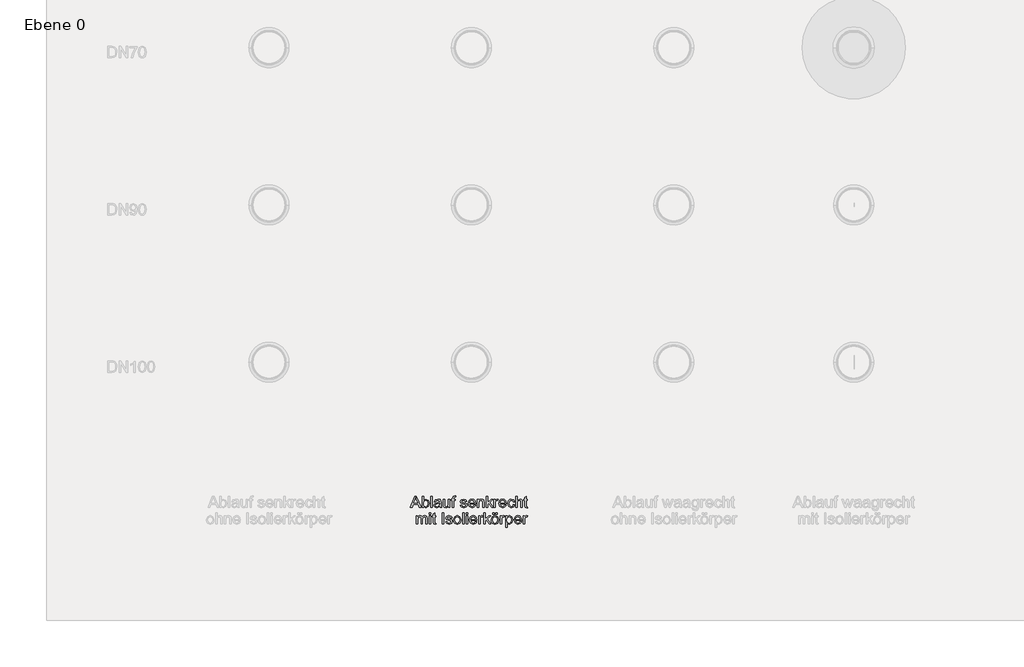
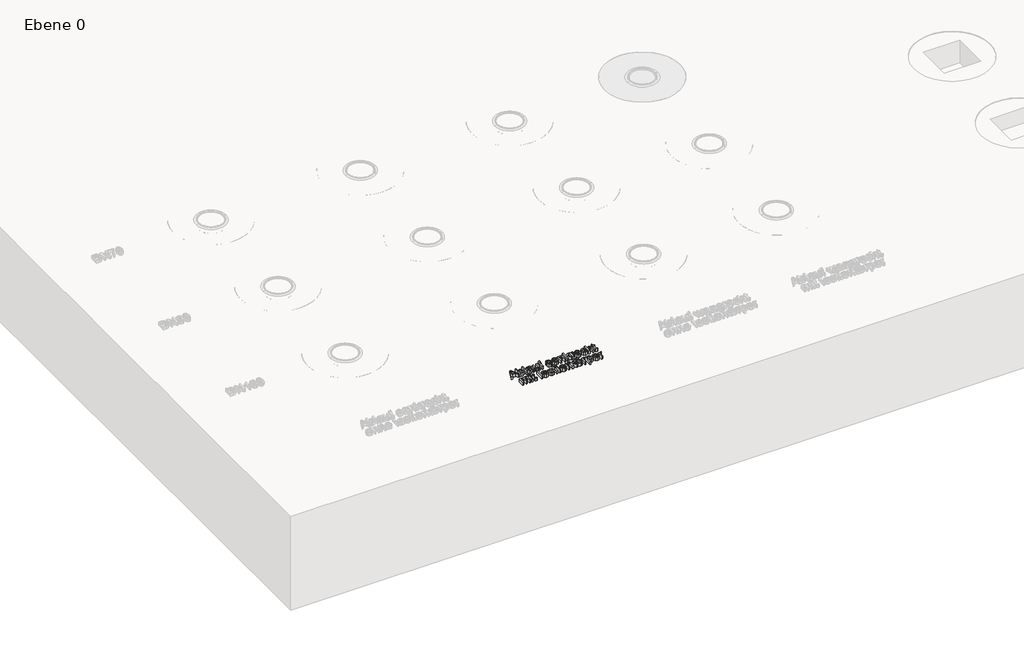
# One storey, part 3 of 12: 1 proxy.
"""IFC4 building model written with IfcOpenShell, lengths in millimetres."""

import ifcopenshell
import ifcopenshell.guid

model = None  # the IFC model being written
_history = None  # IfcOwnerHistory: only IFC2X3 demands one
_inside = {}  # id of a spatial element -> (the spatial element, [elements in it])
_under = {}  # id of a project, library or spatial element -> (it, [spatial elements below it])
_declared = {}  # id of a project -> (the project, [libraries it declares])
_typed = {}  # id of a type object -> (the type object, [elements of that type])
_made_of = {}  # id of a material, layer set ... -> (it, [elements and type objects made of it])


def new_model(schema):
    """Start an empty IFC model of exactly this schema.

    Asked for "IFC4X3", IfcOpenShell would pick the latest addendum, in which some entities
    have other attributes; the version numbers below select the first issue.
    IFC2X3 requires an IfcOwnerHistory on every rooted entity: one is made here for all.
    """
    global model, _history
    if schema == "IFC4X3":
        model = ifcopenshell.file(schema_version=(4, 3, 0, 0))
    else:
        model = ifcopenshell.file(schema=schema)
    _inside.clear()
    _under.clear()
    _declared.clear()
    _typed.clear()
    _made_of.clear()
    _history = None
    if model.schema == "IFC2X3":
        org = make("IfcOrganization", Name="unknown")
        user = make(
            "IfcPersonAndOrganization",
            ThePerson=make("IfcPerson", FamilyName="unknown"),
            TheOrganization=org,
        )
        app = make(
            "IfcApplication",
            ApplicationDeveloper=org,
            Version="unknown",
            ApplicationFullName="unknown",
            ApplicationIdentifier="unknown",
        )
        _history = make(
            "IfcOwnerHistory",
            OwningUser=user,
            OwningApplication=app,
            ChangeAction="ADDED",
            CreationDate=0,
        )
    return model


def make(cls, **values):
    """One entity of the class cls with the attributes given. An attribute that is None is left unset."""
    return model.create_entity(
        cls, **{name: value for name, value in values.items() if value is not None}
    )


def rooted(cls, **values):
    """An entity with a GlobalId (a new one), such as an element, a storey or a relation."""
    return make(cls, GlobalId=ifcopenshell.guid.new(), OwnerHistory=_history, **values)


def si_unit(unit_type, name, prefix=None):
    """IfcSIUnit, for example si_unit("LENGTHUNIT", "METRE", prefix="MILLI")."""
    return make("IfcSIUnit", UnitType=unit_type, Prefix=prefix, Name=name)


def assignment(units):
    """IfcUnitAssignment: the units of a project."""
    return None if units is None else make("IfcUnitAssignment", Units=units)


def point(xyz):
    """IfcCartesianPoint."""
    return None if xyz is None else make("IfcCartesianPoint", Coordinates=xyz)


def direction(xyz):
    """IfcDirection."""
    return None if xyz is None else make("IfcDirection", DirectionRatios=xyz)


def frame(location, z_axis=None, x_axis=None):
    """IfcAxis2Placement3D, a coordinate frame: its origin and axes. An axis left out is left unset."""
    return make(
        "IfcAxis2Placement3D",
        Location=point(location),
        Axis=direction(z_axis),
        RefDirection=direction(x_axis),
    )


def origin():
    """The frame at (0, 0, 0) with its axes left unset."""
    return frame((0.0, 0.0, 0.0))


def origin_with_axes():
    """The frame at (0, 0, 0) with the z axis (0, 0, 1) and the x axis (1, 0, 0) written out."""
    return frame((0.0, 0.0, 0.0), z_axis=(0.0, 0.0, 1.0), x_axis=(1.0, 0.0, 0.0))


def place(relative_to, where):
    """IfcLocalPlacement: puts the frame where relative to a parent placement (None: the world)."""
    return make(
        "IfcLocalPlacement", PlacementRelTo=relative_to, RelativePlacement=where
    )


def context(
    kind, dimensions, precision=None, world=None, true_north=None, identifier=None
):
    """IfcGeometricRepresentationContext, for example the 3D "Model" context."""
    return make(
        "IfcGeometricRepresentationContext",
        ContextIdentifier=identifier,
        ContextType=kind,
        CoordinateSpaceDimension=dimensions,
        Precision=precision,
        WorldCoordinateSystem=world,
        TrueNorth=true_north,
    )


def project(units=None, contexts=None):
    """IfcProject with its units and contexts."""
    return rooted(
        "IfcProject",
        Name="project",
        RepresentationContexts=contexts,
        UnitsInContext=assignment(units),
    )


def spatial(cls, under=None, at=None, **own):
    """A site, building, storey or space (cls), placed at a placement, below another one or the project."""
    s = rooted(cls, ObjectPlacement=at, **own)
    if under is not None:
        _under.setdefault(under.id(), (under, []))[1].append(s)
    return s


def polyline(points):
    """IfcPolyline through the points."""
    return make("IfcPolyline", Points=[point(p) for p in points])


def outline(outer, holes=None, kind="AREA"):
    """IfcArbitraryClosedProfileDef: a profile drawn as a closed curve; with holes, ...WithVoids."""
    if holes is None:
        return make("IfcArbitraryClosedProfileDef", ProfileType=kind, OuterCurve=outer)
    return make(
        "IfcArbitraryProfileDefWithVoids",
        ProfileType=kind,
        OuterCurve=outer,
        InnerCurves=holes,
    )


def extrude(swept, where, along, depth):
    """IfcExtrudedAreaSolid: the profile swept, set in the frame where, extruded along a direction by depth."""
    return make(
        "IfcExtrudedAreaSolid",
        SweptArea=swept,
        Position=where,
        ExtrudedDirection=direction(along),
        Depth=depth,
    )


def shape(context_of_items, identifier, shape_type, items):
    """IfcShapeRepresentation: the items that make up one representation, for example the "Body"."""
    return make(
        "IfcShapeRepresentation",
        ContextOfItems=context_of_items,
        RepresentationIdentifier=identifier,
        RepresentationType=shape_type,
        Items=items,
    )


def made_of(thing, what):
    """Note that an element or type object is made of a material, layer set ...; save() writes the relation."""
    if what is not None:
        _made_of.setdefault(what.id(), (what, []))[1].append(thing)
    return thing


def element(
    cls,
    number,
    at=None,
    inside=None,
    cuts=None,
    type_object=None,
    material=None,
    context=None,
    identifier="Body",
    shape_type=None,
    held_by="IfcProductDefinitionShape",
    body=None,
    shapes=None,
    **own,
):
    """One element of the class cls, such as IfcWall. Its Tag is "e" and its number.

    at: its placement. inside: the storey or other place that contains it. cuts: it is an
    opening in that element (IfcRelVoidsElement). A single representation is given by context,
    identifier, shape_type and body (its items); several are given by shapes. held_by: the class
    of the entity that holds the representations. save() writes the other relations.
    """
    e = rooted(cls, Tag="e%d" % number, ObjectPlacement=at, **own)
    if body is not None:
        shapes = [shape(context, identifier, shape_type, body)]
    if shapes is not None:
        e.Representation = make(held_by, Representations=shapes)
    if inside is not None:
        _inside.setdefault(inside.id(), (inside, []))[1].append(e)
    if cuts is not None:
        rooted(
            "IfcRelVoidsElement", RelatingBuildingElement=cuts, RelatedOpeningElement=e
        )
    if type_object is not None:
        _typed.setdefault(type_object.id(), (type_object, []))[1].append(e)
    return made_of(e, material)


def aggregate(whole, parts):
    """IfcRelAggregates: a whole, such as a stair, and the parts it consists of."""
    return rooted("IfcRelAggregates", RelatingObject=whole, RelatedObjects=parts)


def save(model, path):
    """Write the relations noted so far, then the file.

    IfcRelAggregates (storeys below a building ...), IfcRelContainedInSpatialStructure (elements
    in a storey), IfcRelDefinesByType, IfcRelAssociatesMaterial and IfcRelDeclares: one each for
    every whole, place, type object, material and project.
    """
    for whole, parts in _under.values():
        aggregate(whole, parts)
    for where, things in _inside.values():
        rooted(
            "IfcRelContainedInSpatialStructure",
            RelatedElements=things,
            RelatingStructure=where,
        )
    for kind, things in _typed.values():
        rooted("IfcRelDefinesByType", RelatedObjects=things, RelatingType=kind)
    for what, things in _made_of.values():
        rooted("IfcRelAssociatesMaterial", RelatedObjects=things, RelatingMaterial=what)
    for by, libraries in _declared.values():
        rooted("IfcRelDeclares", RelatingContext=by, RelatedDefinitions=libraries)
    model.write(path)


model = new_model("IFC4")

# Units and contexts
model_context = context("Model", 3, world=origin())
ifc_project = project(units=[si_unit("LENGTHUNIT", "METRE", prefix="MILLI")], contexts=[model_context])

# Site, building, storey
site = spatial("IfcSite", under=ifc_project)
building = spatial("IfcBuilding", under=site)
storey = spatial("IfcBuildingStorey", under=building, Name="Ebene 0", Elevation=0.0)

# Proxy
placement = place(None, origin())
element("IfcBuildingElementProxy", 1, Name="100mm ACO", ObjectType="100mm ACO", at=placement, inside=storey, context=model_context, shape_type="SweptSolid", body=[
    extrude(outline(polyline([(-27842.9383281, 17214.466207), (-27849.8797053, 17214.466207), (-27855.9042969, 17229.3676122), (-27877.237754, 17229.3676122), (-27883.0295111, 17214.466207), (-27889.9708883, 17214.466207), (-27870.4273461, 17264.7584496), (-27863.2967909, 17264.7584496), (-27842.9383281, 17214.466207)]), holes=[polyline([(-27858.1744328, 17234.9556392), (-27865.4286814, 17253.3932177), (-27866.9202771, 17259.2577356), (-27869.2631738, 17249.915253), (-27875.0694831, 17234.9556392), (-27858.1744328, 17234.9556392)])]), origin_with_axes(), (0.0, 0.0, 1.0), 20.0),
    extrude(outline(polyline([(-27831.9077957, 17247.1940003), (-27822.1287485, 17251.71972), (-27811.0181793, 17246.597362), (-27806.8489873, 17233.2093807), (-27811.4329156, 17218.6062946), (-27822.1578528, 17213.5348691), (-27831.8641392, 17218.5117056), (-27831.9951086, 17214.466207), (-27838.5144734, 17214.466207), (-27838.5144734, 17264.7584496), (-27831.9951086, 17264.7584496), (-27831.9077957, 17247.1940003)]), holes=[polyline([(-27822.7690432, 17218.1915583), (-27816.0241201, 17221.9969464), (-27813.368352, 17232.6855032), (-27815.8131138, 17243.184882), (-27822.5653131, 17247.0630309), (-27829.4048253, 17243.0611887), (-27831.9951086, 17232.9328898), (-27830.9182492, 17224.4053278), (-27827.673119, 17220.0324057), (-27822.7690432, 17218.1915583)])]), origin_with_axes(), (0.0, 0.0, 1.0), 20.0),
    extrude(outline(polyline([(-27792.8789199, 17214.466207), (-27799.3982846, 17214.466207), (-27799.3982846, 17264.7584496), (-27792.8789199, 17264.7584496), (-27792.8789199, 17214.466207)])), origin_with_axes(), (0.0, 0.0, 1.0), 20.0),
    extrude(outline(polyline([(-27751.9000555, 17214.466207), (-27758.4194203, 17214.466207), (-27760.2820959, 17218.8609573), (-27773.3353776, 17213.5348691), (-27782.1903631, 17216.4452998), (-27785.4282172, 17224.1288369), (-27782.2558478, 17231.6741285), (-27771.2398675, 17235.5959339), (-27765.5354233, 17236.4690631), (-27760.2820959, 17237.7496526), (-27760.4494457, 17241.7878752), (-27761.42444, 17244.2399131), (-27764.0219994, 17246.2844907), (-27768.8387622, 17247.0630309), (-27774.9142863, 17245.4841222), (-27777.9775146, 17239.6123283), (-27784.4968794, 17240.4126967), (-27779.3526931, 17248.8820501), (-27767.9510808, 17251.71972), (-27758.2666226, 17249.7770075), (-27754.4685106, 17245.0912141), (-27753.7627311, 17238.0261436), (-27753.7627311, 17229.7168639), (-27753.4862402, 17219.5303564), (-27751.9000555, 17214.466207)]), holes=[polyline([(-27760.2820959, 17230.7646189), (-27760.2820959, 17233.0929635), (-27771.9893034, 17230.4153672), (-27777.1789652, 17228.3744277), (-27778.9088524, 17224.230702), (-27777.0461768, 17219.8941602), (-27771.6764321, 17218.1915583), (-27763.7236802, 17221.0437804), (-27760.2820959, 17230.7646189)])]), origin_with_axes(), (0.0, 0.0, 1.0), 20.0),
    extrude(outline(polyline([(-27714.6465424, 17214.466207), (-27720.2345693, 17214.466207), (-27720.2345693, 17219.7486387), (-27725.3860317, 17215.0883115), (-27731.9053965, 17213.5348691), (-27739.0068474, 17215.3029558), (-27743.3579413, 17220.1706512), (-27744.4493528, 17228.2179921), (-27744.4493528, 17250.7883822), (-27737.9299881, 17250.7883822), (-27737.9299881, 17230.1825328), (-27737.4788713, 17223.095634), (-27735.1214224, 17219.5740129), (-27730.5811505, 17218.1915583), (-27724.1709269, 17220.6654244), (-27721.1659072, 17230.9101405), (-27721.1659072, 17250.7883822), (-27714.6465424, 17250.7883822), (-27714.6465424, 17214.466207)])), origin_with_axes(), (0.0, 0.0, 1.0), 20.0),
    extrude(outline(polyline([(-27688.5690832, 17265.2095664), (-27689.3694517, 17261.0330983), (-27692.5418211, 17261.0330983), (-27695.7141906, 17259.963515), (-27696.9511237, 17254.6738072), (-27696.9511237, 17250.7883822), (-27691.3630967, 17250.7883822), (-27691.3630967, 17246.1316931), (-27696.9511237, 17246.1316931), (-27696.9511237, 17214.466207), (-27703.4704885, 17214.466207), (-27703.4704885, 17246.1316931), (-27709.0585154, 17246.1316931), (-27709.0585154, 17250.7883822), (-27703.4704885, 17250.7883822), (-27703.4704885, 17254.7756723), (-27702.9829913, 17259.7961653), (-27700.4145362, 17263.8707683), (-27693.9970365, 17265.6897874), (-27688.5690832, 17265.2095664)])), origin_with_axes(), (0.0, 0.0, 1.0), 20.0),
    extrude(outline(polyline([(-27645.7275432, 17240.5436661), (-27648.1359246, 17245.4331897), (-27653.7021233, 17247.0630309), (-27659.3920154, 17245.6660242), (-27661.5602862, 17241.6059733), (-27660.1268991, 17238.0115914), (-27653.3674238, 17236.0616028), (-27644.4542297, 17233.9660927), (-27639.9066818, 17230.7864472), (-27638.2768406, 17225.0892791), (-27642.3223393, 17216.8745884), (-27653.1345893, 17213.5348691), (-27664.1432935, 17216.3434348), (-27669.0109889, 17224.7545795), (-27662.4916241, 17225.6422609), (-27659.6757824, 17220.0469578), (-27653.1345893, 17218.1915583), (-27646.9499241, 17220.1197186), (-27644.7962054, 17224.8127881), (-27645.7639236, 17227.8178078), (-27648.1795811, 17229.5131337), (-27655.0118171, 17230.9683491), (-27665.5403002, 17234.8974305), (-27668.079651, 17241.2276173), (-27664.3179193, 17248.7583568), (-27654.1968965, 17251.71972), (-27643.6975178, 17249.1294367), (-27639.2081784, 17241.3731389), (-27645.7275432, 17240.5436661)])), origin_with_axes(), (0.0, 0.0, 1.0), 20.0),
    extrude(outline(polyline([(-27600.0919897, 17231.2302878), (-27627.1007866, 17231.2302878), (-27623.6883066, 17221.5385536), (-27616.1139107, 17218.1915583), (-27610.2421168, 17220.0469578), (-27606.6113544, 17225.6422609), (-27600.0919897, 17224.8855489), (-27605.7818817, 17216.4744042), (-27616.1139107, 17213.5348691), (-27628.9852905, 17218.5771903), (-27633.6201514, 17232.3508037), (-27629.1526403, 17246.3499754), (-27623.7719815, 17250.3772839), (-27616.5650275, 17251.71972), (-27608.9105947, 17249.9807377), (-27602.6604448, 17244.0580112), (-27600.0919897, 17231.2302878)]), holes=[polyline([(-27606.6113544, 17235.886977), (-27610.0456627, 17244.4436433), (-27616.7251012, 17247.0630309), (-27623.8556564, 17243.94887), (-27627.1007866, 17235.886977), (-27606.6113544, 17235.886977)])]), origin_with_axes(), (0.0, 0.0, 1.0), 20.0),
    extrude(outline(polyline([(-27562.8384766, 17214.466207), (-27569.3578414, 17214.466207), (-27569.3578414, 17237.0802536), (-27571.3005539, 17244.9238643), (-27576.7066789, 17247.0630309), (-27581.7490001, 17245.6951285), (-27585.1250997, 17241.8388078), (-27586.1219223, 17234.7955655), (-27586.1219223, 17214.466207), (-27592.641287, 17214.466207), (-27592.641287, 17250.7883822), (-27587.0532601, 17250.7883822), (-27587.0532601, 17245.7387849), (-27582.0764236, 17250.2281243), (-27575.4115372, 17251.71972), (-27569.6925409, 17250.6865171), (-27565.2686862, 17247.5941845), (-27563.253213, 17243.1994341), (-27562.8384766, 17236.8910756), (-27562.8384766, 17214.466207)])), origin_with_axes(), (0.0, 0.0, 1.0), 20.0),
    extrude(outline(polyline([(-27522.79095, 17214.466207), (-27529.2666583, 17214.466207), (-27542.3781487, 17233.5586324), (-27547.0057335, 17229.3676122), (-27547.0057335, 17214.466207), (-27553.5250983, 17214.466207), (-27553.5250983, 17264.7584496), (-27547.0057335, 17264.7584496), (-27547.0057335, 17236.6000325), (-27531.4349292, 17250.7883822), (-27523.4894534, 17250.7883822), (-27538.4199629, 17237.1966708), (-27522.79095, 17214.466207)])), origin_with_axes(), (0.0, 0.0, 1.0), 20.0),
    extrude(outline(polyline([(-27499.5075043, 17250.293609), (-27501.5448058, 17246.1316931), (-27505.823139, 17247.0630309), (-27510.843632, 17243.7887964), (-27512.5462339, 17234.6209396), (-27512.5462339, 17214.466207), (-27519.0655987, 17214.466207), (-27519.0655987, 17250.7883822), (-27513.4775717, 17250.7883822), (-27513.4775717, 17245.4040854), (-27505.7503782, 17251.71972), (-27499.5075043, 17250.293609)])), origin_with_axes(), (0.0, 0.0, 1.0), 20.0),
    extrude(outline(polyline([(-27464.1166669, 17231.2302878), (-27491.1254639, 17231.2302878), (-27487.7129839, 17221.5385536), (-27480.138588, 17218.1915583), (-27474.266794, 17220.0469578), (-27470.6360317, 17225.6422609), (-27464.1166669, 17224.8855489), (-27469.8065589, 17216.4744042), (-27480.138588, 17213.5348691), (-27493.0099678, 17218.5771903), (-27497.6448287, 17232.3508037), (-27493.1773175, 17246.3499754), (-27487.7966588, 17250.3772839), (-27480.5897047, 17251.71972), (-27472.935272, 17249.9807377), (-27466.685122, 17244.0580112), (-27464.1166669, 17231.2302878)]), holes=[polyline([(-27470.6360317, 17235.886977), (-27474.0703399, 17244.4436433), (-27480.7497784, 17247.0630309), (-27487.8803337, 17243.94887), (-27491.1254639, 17235.886977), (-27470.6360317, 17235.886977)])]), origin_with_axes(), (0.0, 0.0, 1.0), 20.0),
    extrude(outline(polyline([(-27425.931816, 17226.7627767), (-27431.5634994, 17216.7217908), (-27441.5317246, 17213.5348691), (-27454.0902331, 17218.7445401), (-27458.52864, 17232.5545338), (-27455.9965652, 17243.9634222), (-27449.6591024, 17249.9807377), (-27441.662694, 17251.71972), (-27431.8763707, 17248.874774), (-27426.8631538, 17240.5145618), (-27433.3825186, 17239.6123283), (-27436.3511579, 17245.1930792), (-27441.5899332, 17247.0630309), (-27449.3607832, 17243.2721949), (-27452.0092752, 17232.6855032), (-27449.3535071, 17221.9678421), (-27441.6917983, 17218.1915583), (-27435.3543354, 17220.5199028), (-27432.4511808, 17227.5049365), (-27425.931816, 17226.7627767)])), origin_with_axes(), (0.0, 0.0, 1.0), 20.0),
    extrude(outline(polyline([(-27392.4036542, 17214.466207), (-27398.923019, 17214.466207), (-27398.923019, 17237.9533828), (-27400.7784186, 17244.7856189), (-27406.315513, 17247.0630309), (-27412.8203257, 17244.3781586), (-27415.6870999, 17234.7955655), (-27415.6870999, 17214.466207), (-27422.2064647, 17214.466207), (-27422.2064647, 17264.7584496), (-27415.6870999, 17264.7584496), (-27415.6870999, 17246.7428835), (-27404.8457455, 17251.71972), (-27398.166307, 17250.2790568), (-27393.6915198, 17245.8479261), (-27392.4036542, 17237.5459225), (-27392.4036542, 17214.466207)])), origin_with_axes(), (0.0, 0.0, 1.0), 20.0),
    extrude(outline(polyline([(-27369.1202086, 17213.9568816), (-27373.6895848, 17213.5348691), (-27379.5177223, 17214.9828084), (-27381.7514778, 17218.6572272), (-27382.1589381, 17224.8564446), (-27382.1589381, 17246.1316931), (-27386.8156273, 17246.1316931), (-27386.8156273, 17250.7883822), (-27382.1589381, 17250.7883822), (-27382.1589381, 17260.0144476), (-27375.6395733, 17263.8271118), (-27375.6395733, 17250.7883822), (-27370.0515464, 17250.7883822), (-27370.0515464, 17246.1316931), (-27375.6395733, 17246.1316931), (-27375.6395733, 17223.5467508), (-27375.1156958, 17219.4139392), (-27372.4526517, 17218.1915583), (-27369.920577, 17218.1915583), (-27369.1202086, 17213.9568816)])), origin_with_axes(), (0.0, 0.0, 1.0), 20.0),
    extrude(outline(polyline([(-27815.2310277, 17141.1827613), (-27821.7503925, 17141.1827613), (-27821.7503925, 17164.6699371), (-27822.0778159, 17169.1010679), (-27823.7804179, 17172.3607503), (-27828.0660271, 17173.7795852), (-27834.1051709, 17171.1893019), (-27836.6517977, 17162.7781572), (-27836.6517977, 17141.1827613), (-27843.1711625, 17141.1827613), (-27843.1711625, 17165.3684405), (-27844.7718994, 17171.9896703), (-27849.3121713, 17173.7795852), (-27855.6132538, 17170.9782957), (-27858.0725677, 17160.493469), (-27858.0725677, 17141.1827613), (-27864.5919325, 17141.1827613), (-27864.5919325, 17177.5049365), (-27859.0039056, 17177.5049365), (-27859.0039056, 17172.5281), (-27854.2853698, 17176.9592308), (-27847.9733732, 17178.4362744), (-27841.3448672, 17176.8428136), (-27837.5831356, 17172.047879), (-27832.795477, 17176.8391755), (-27826.4652902, 17178.4362744), (-27818.0395933, 17175.3803221), (-27815.2310277, 17166.2124654), (-27815.2310277, 17141.1827613)])), origin_with_axes(), (0.0, 0.0, 1.0), 20.0),
    extrude(outline(polyline([(-27799.3982846, 17141.1827613), (-27805.9176494, 17141.1827613), (-27805.9176494, 17177.5049365), (-27799.3982846, 17177.5049365), (-27799.3982846, 17141.1827613)])), origin_with_axes(), (0.0, 0.0, 1.0), 20.0),
    extrude(outline(polyline([(-27799.3982846, 17184.9556392), (-27805.9176494, 17184.9556392), (-27805.9176494, 17191.4750039), (-27799.3982846, 17191.4750039), (-27799.3982846, 17184.9556392)])), origin_with_axes(), (0.0, 0.0, 1.0), 20.0),
    extrude(outline(polyline([(-27776.114839, 17140.6734359), (-27780.6842152, 17140.2514235), (-27786.5123527, 17141.6993627), (-27788.7461082, 17145.3737815), (-27789.1535685, 17151.5729989), (-27789.1535685, 17172.8482474), (-27793.8102577, 17172.8482474), (-27793.8102577, 17177.5049365), (-27789.1535685, 17177.5049365), (-27789.1535685, 17186.7310019), (-27782.6342038, 17190.5436661), (-27782.6342038, 17177.5049365), (-27777.0461768, 17177.5049365), (-27777.0461768, 17172.8482474), (-27782.6342038, 17172.8482474), (-27782.6342038, 17150.2633051), (-27782.1103262, 17146.1304935), (-27779.4472821, 17144.9081126), (-27776.9152074, 17144.9081126), (-27776.114839, 17140.6734359)])), origin_with_axes(), (0.0, 0.0, 1.0), 20.0),
    extrude(outline(polyline([(-27742.5866772, 17141.1827613), (-27749.106042, 17141.1827613), (-27749.106042, 17191.4750039), (-27742.5866772, 17191.4750039), (-27742.5866772, 17141.1827613)])), origin_with_axes(), (0.0, 0.0, 1.0), 20.0),
    extrude(outline(polyline([(-27710.9211911, 17167.2602204), (-27713.3295725, 17172.149744), (-27718.8957712, 17173.7795852), (-27724.5856633, 17172.3825785), (-27726.7539341, 17168.3225277), (-27725.320547, 17164.7281457), (-27718.5610717, 17162.7781572), (-27709.6478776, 17160.682647), (-27705.1003297, 17157.5030015), (-27703.4704885, 17151.8058334), (-27707.5159871, 17143.5911427), (-27718.3282372, 17140.2514235), (-27729.3369414, 17143.0599891), (-27734.2046368, 17151.4711338), (-27727.685272, 17152.3588152), (-27724.8694303, 17146.7635122), (-27718.3282372, 17144.9081126), (-27712.143572, 17146.8362729), (-27709.9898532, 17151.5293425), (-27710.9575715, 17154.5343622), (-27713.3732289, 17156.2296881), (-27720.205465, 17157.6849034), (-27730.7339481, 17161.6139849), (-27733.2732989, 17167.9441717), (-27729.5115672, 17175.4749111), (-27719.3905444, 17178.4362744), (-27708.8911657, 17175.845991), (-27704.4018263, 17168.0896932), (-27710.9211911, 17167.2602204)])), origin_with_axes(), (0.0, 0.0, 1.0), 20.0),
    extrude(outline(polyline([(-27682.0642706, 17178.4362744), (-27670.0514678, 17173.6195115), (-27665.2856376, 17159.9259351), (-27666.5753222, 17150.7362501), (-27670.444376, 17144.7043824), (-27682.0642706, 17140.2514235), (-27693.8296867, 17144.8280757), (-27697.5677712, 17150.7453452), (-27698.8137993, 17159.3438489), (-27693.9970365, 17173.7068245), (-27682.0642706, 17178.4362744)]), holes=[polyline([(-27682.0642706, 17144.9081126), (-27674.4171139, 17148.9463352), (-27671.8050023, 17159.5766834), (-27674.7590895, 17170.1997555), (-27682.0642706, 17173.7795852), (-27689.4203842, 17170.1488229), (-27692.2944345, 17159.3292968), (-27689.3694517, 17148.5388749), (-27682.0642706, 17144.9081126)])]), origin_with_axes(), (0.0, 0.0, 1.0), 20.0),
    extrude(outline(polyline([(-27651.3155701, 17141.1827613), (-27657.8349349, 17141.1827613), (-27657.8349349, 17191.4750039), (-27651.3155701, 17191.4750039), (-27651.3155701, 17141.1827613)])), origin_with_axes(), (0.0, 0.0, 1.0), 20.0),
    extrude(outline(polyline([(-27635.4828271, 17141.1827613), (-27642.0021919, 17141.1827613), (-27642.0021919, 17177.5049365), (-27635.4828271, 17177.5049365), (-27635.4828271, 17141.1827613)])), origin_with_axes(), (0.0, 0.0, 1.0), 20.0),
    extrude(outline(polyline([(-27635.4828271, 17184.9556392), (-27642.0021919, 17184.9556392), (-27642.0021919, 17191.4750039), (-27635.4828271, 17191.4750039), (-27635.4828271, 17184.9556392)])), origin_with_axes(), (0.0, 0.0, 1.0), 20.0),
    extrude(outline(polyline([(-27594.5039627, 17157.9468422), (-27621.5127597, 17157.9468422), (-27618.1002797, 17148.2551079), (-27610.5258838, 17144.9081126), (-27604.6540898, 17146.7635122), (-27601.0233275, 17152.3588152), (-27594.5039627, 17151.6021032), (-27600.1938547, 17143.1909585), (-27610.5258838, 17140.2514235), (-27623.3972636, 17145.2937447), (-27628.0321245, 17159.067358), (-27623.5646133, 17173.0665297), (-27618.1839546, 17177.0938382), (-27610.9770005, 17178.4362744), (-27603.3225677, 17176.697292), (-27597.0724178, 17170.7745655), (-27594.5039627, 17157.9468422)]), holes=[polyline([(-27601.0233275, 17162.6035313), (-27604.4576357, 17171.1601976), (-27611.1370742, 17173.7795852), (-27618.2676294, 17170.6654244), (-27621.5127597, 17162.6035313), (-27601.0233275, 17162.6035313)])]), origin_with_axes(), (0.0, 0.0, 1.0), 20.0),
    extrude(outline(polyline([(-27567.4951657, 17177.0101633), (-27569.5324672, 17172.8482474), (-27573.8108004, 17173.7795852), (-27578.8312933, 17170.5053507), (-27580.5338953, 17161.3374939), (-27580.5338953, 17141.1827613), (-27587.0532601, 17141.1827613), (-27587.0532601, 17177.5049365), (-27581.4652331, 17177.5049365), (-27581.4652331, 17172.1206397), (-27573.7380396, 17178.4362744), (-27567.4951657, 17177.0101633)])), origin_with_axes(), (0.0, 0.0, 1.0), 20.0),
    extrude(outline(polyline([(-27533.0356661, 17141.1827613), (-27539.5113744, 17141.1827613), (-27552.6228648, 17160.2751867), (-27557.2504496, 17156.0841665), (-27557.2504496, 17141.1827613), (-27563.7698144, 17141.1827613), (-27563.7698144, 17191.4750039), (-27557.2504496, 17191.4750039), (-27557.2504496, 17163.3165868), (-27541.6796453, 17177.5049365), (-27533.7341695, 17177.5049365), (-27548.664679, 17163.9132251), (-27533.0356661, 17141.1827613)])), origin_with_axes(), (0.0, 0.0, 1.0), 20.0),
    extrude(outline(polyline([(-27514.4234617, 17178.4362744), (-27502.410659, 17173.6195115), (-27497.6448287, 17159.9259351), (-27498.9345133, 17150.7362501), (-27502.8035671, 17144.7043824), (-27514.4234617, 17140.2514235), (-27526.1888779, 17144.8280757), (-27529.9269623, 17150.7453452), (-27531.1729905, 17159.3438489), (-27526.3562276, 17173.7068245), (-27514.4234617, 17178.4362744)]), holes=[polyline([(-27514.4234617, 17144.9081126), (-27506.776305, 17148.9463352), (-27504.1641935, 17159.5766834), (-27507.1182806, 17170.1997555), (-27514.4234617, 17173.7795852), (-27521.7795753, 17170.1488229), (-27524.6536257, 17159.3292968), (-27521.7286428, 17148.5388749), (-27514.4234617, 17144.9081126)])]), origin_with_axes(), (0.0, 0.0, 1.0), 20.0),
    extrude(outline(polyline([(-27504.1641935, 17184.0243013), (-27510.6835583, 17184.0243013), (-27510.6835583, 17191.4750039), (-27504.1641935, 17191.4750039), (-27504.1641935, 17184.0243013)])), origin_with_axes(), (0.0, 0.0, 1.0), 20.0),
    extrude(outline(polyline([(-27517.2029231, 17184.0243013), (-27523.7222878, 17184.0243013), (-27523.7222878, 17191.4750039), (-27517.2029231, 17191.4750039), (-27517.2029231, 17184.0243013)])), origin_with_axes(), (0.0, 0.0, 1.0), 20.0),
    extrude(outline(polyline([(-27470.6360317, 17177.0101633), (-27472.6733332, 17172.8482474), (-27476.9516663, 17173.7795852), (-27481.9721593, 17170.5053507), (-27483.6747613, 17161.3374939), (-27483.6747613, 17141.1827613), (-27490.1941261, 17141.1827613), (-27490.1941261, 17177.5049365), (-27484.6060991, 17177.5049365), (-27484.6060991, 17172.1206397), (-27476.8789056, 17178.4362744), (-27470.6360317, 17177.0101633)])), origin_with_axes(), (0.0, 0.0, 1.0), 20.0),
    extrude(outline(polyline([(-27460.3258309, 17173.1247383), (-27450.2048081, 17178.4362744), (-27439.2615887, 17173.2266034), (-27435.2451943, 17159.6494441), (-27439.7854662, 17145.4974748), (-27450.9324158, 17140.2514235), (-27460.2166898, 17144.5297566), (-27460.3913156, 17127.2126939), (-27466.9106804, 17127.2126939), (-27466.9106804, 17177.5049365), (-27460.3913156, 17177.5049365), (-27460.3258309, 17173.1247383)]), holes=[polyline([(-27451.6454713, 17144.9081126), (-27444.5658486, 17148.5825314), (-27441.7645591, 17159.5330269), (-27444.4639835, 17170.0906143), (-27451.3689804, 17173.7795852), (-27458.5213639, 17169.6686019), (-27461.3226534, 17159.0091494), (-27458.6377811, 17148.4952184), (-27451.6454713, 17144.9081126)])]), origin_with_axes(), (0.0, 0.0, 1.0), 20.0),
    extrude(outline(polyline([(-27396.1290055, 17157.9468422), (-27423.1378025, 17157.9468422), (-27419.7253225, 17148.2551079), (-27412.1509266, 17144.9081126), (-27406.2791326, 17146.7635122), (-27402.6483703, 17152.3588152), (-27396.1290055, 17151.6021032), (-27401.8188976, 17143.1909585), (-27412.1509266, 17140.2514235), (-27425.0223064, 17145.2937447), (-27429.6571673, 17159.067358), (-27425.1896562, 17173.0665297), (-27419.8089974, 17177.0938382), (-27412.6020434, 17178.4362744), (-27404.9476106, 17176.697292), (-27398.6974606, 17170.7745655), (-27396.1290055, 17157.9468422)]), holes=[polyline([(-27402.6483703, 17162.6035313), (-27406.0826786, 17171.1601976), (-27412.762117, 17173.7795852), (-27419.8926723, 17170.6654244), (-27423.1378025, 17162.6035313), (-27402.6483703, 17162.6035313)])]), origin_with_axes(), (0.0, 0.0, 1.0), 20.0),
    extrude(outline(polyline([(-27369.1202086, 17177.0101633), (-27371.1575101, 17172.8482474), (-27375.4358432, 17173.7795852), (-27380.4563362, 17170.5053507), (-27382.1589381, 17161.3374939), (-27382.1589381, 17141.1827613), (-27388.6783029, 17141.1827613), (-27388.6783029, 17177.5049365), (-27383.090276, 17177.5049365), (-27383.090276, 17172.1206397), (-27375.3630824, 17178.4362744), (-27369.1202086, 17177.0101633)])), origin_with_axes(), (0.0, 0.0, 1.0), 20.0),
])

save(model, "model.ifc")
